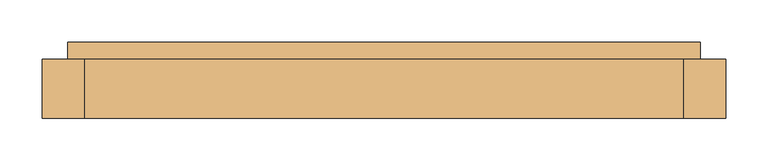
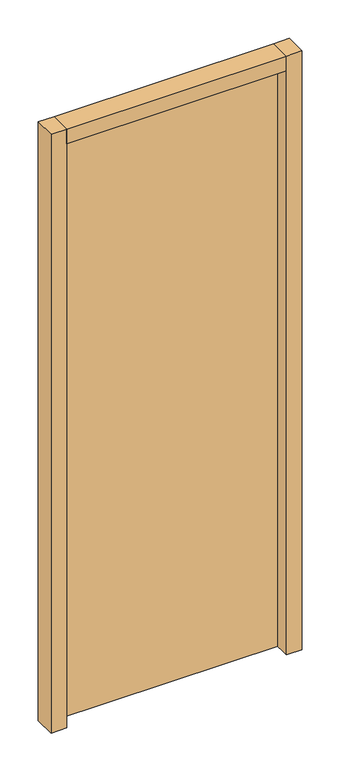
"""IFC4 building model written with IfcOpenShell, lengths in millimetres: door geometry."""

from ifc_helpers import new_model, si_unit, frame, origin, origin_with_axes, place, context, project, spatial, polyline, outline, extrude, source, transform, mapped, element, save


def door_e8edec60(model_context):
    return source(origin(), model_context, "Body", "SweptSolid", [
        extrude(outline(polyline([(375.0, -40.0), (-375.0, -40.0), (-375.0, 0.0), (375.0, 0.0), (375.0, -40.0)])), origin_with_axes(), (0.0, 0.0, 1.0), 2010.0),
        extrude(outline(polyline([(405.0, -90.0), (355.0, -90.0), (355.0, -20.0), (405.0, -20.0), (405.0, -90.0)])), origin_with_axes(), (0.0, 0.0, 1.0), 2040.0),
        extrude(outline(polyline([(-355.0, -90.0), (-405.0, -90.0), (-405.0, -20.0), (-355.0, -20.0), (-355.0, -90.0)])), origin_with_axes(), (0.0, 0.0, 1.0), 2040.0),
        extrude(outline(polyline([(355.0, -90.0), (-355.0, -90.0), (-355.0, -20.0), (355.0, -20.0), (355.0, -90.0)])), frame((0.0, 0.0, 1990.0), z_axis=(0.0, 0.0, 1.0), x_axis=(1.0, 0.0, 0.0)), (0.0, 0.0, 1.0), 50.0),
    ])


if __name__ == "__main__":
    model = new_model("IFC4")
    model_context = context("Model", 3, world=origin())
    ifc_project = project(units=[si_unit("LENGTHUNIT", "METRE", prefix="MILLI")], contexts=[model_context])
    site = spatial("IfcSite", under=ifc_project)
    building = spatial("IfcBuilding", under=site)
    placement = place(None, origin())
    door_shape = door_e8edec60(model_context)
    element("IfcDoor", 1, at=placement, inside=building, context=model_context, shape_type="MappedRepresentation", body=[
        mapped(door_shape, transform((0.0, 0.0, 0.0), x_axis=(1.0, 0.0, 0.0), y_axis=(0.0, 1.0, 0.0), z_axis=(0.0, 0.0, 1.0))),
    ])
    save(model, "model.ifc")
